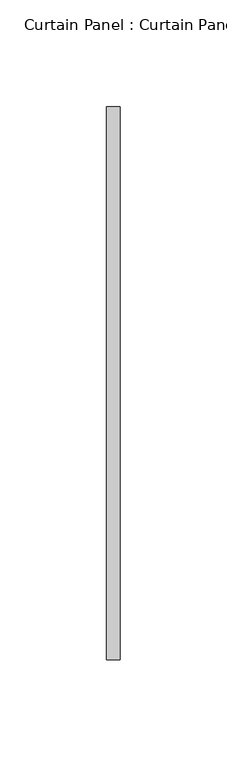
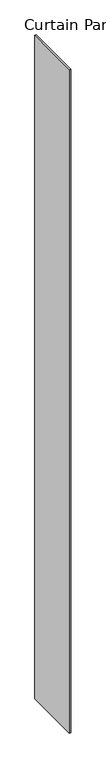
"""IFC4 building model written with IfcOpenShell, lengths in millimetres: plate geometry, Curtain Panel : Curtain Panel."""

from ifc_helpers import new_model, si_unit, origin, origin_with_axes, place, context, project, spatial, polyline, outline, extrude, source, transform, mapped, element, save


def curtain_panel_curtain_panel_3b48566e(model_context):
    return source(origin(), model_context, "Body", "SweptSolid", [
        extrude(outline(polyline([(334824.6417744, 1119.9295011), (334824.6417744, 1378.6129387), (334830.9917744, 1378.6129387), (334830.9917744, 1119.9295011), (334824.6417744, 1119.9295011)])), origin_with_axes(), (0.0, 0.0, 1.0), 3048.0),
    ])


if __name__ == "__main__":
    model = new_model("IFC4")
    model_context = context("Model", 3, world=origin())
    ifc_project = project(units=[si_unit("LENGTHUNIT", "METRE", prefix="MILLI")], contexts=[model_context])
    site = spatial("IfcSite", under=ifc_project)
    building = spatial("IfcBuilding", under=site)
    placement = place(None, origin())
    curtain_panel_curtain_panel_shape = curtain_panel_curtain_panel_3b48566e(model_context)
    element("IfcPlate", 1, ObjectType="Curtain Panel : Curtain Panel", at=placement, inside=building, context=model_context, shape_type="MappedRepresentation", body=[
        mapped(curtain_panel_curtain_panel_shape, transform((0.0, 0.0, 0.0), x_axis=(1.0, 0.0, 0.0), y_axis=(0.0, 1.0, 0.0), z_axis=(0.0, 0.0, 1.0))),
    ])
    save(model, "model.ifc")
